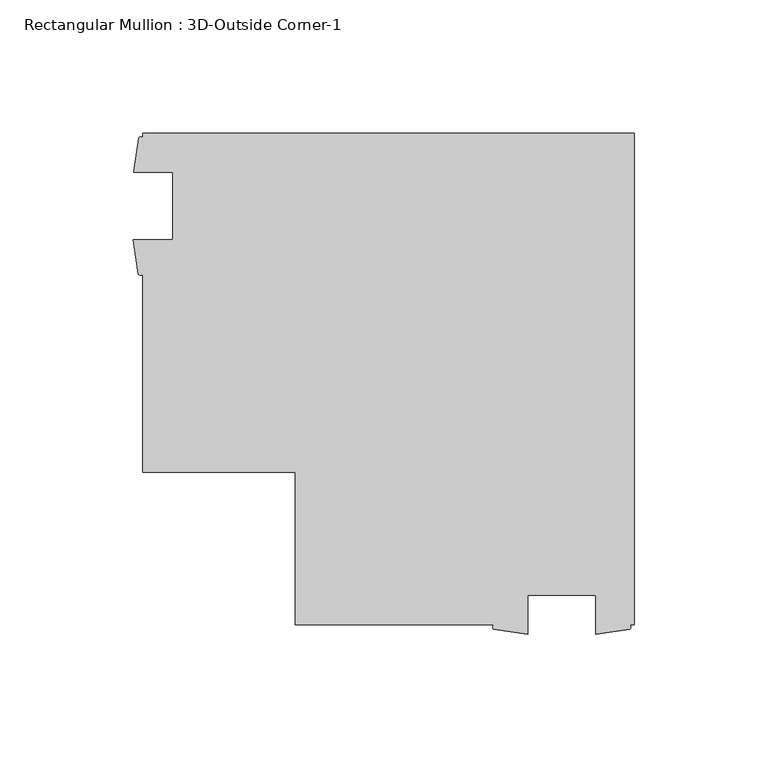
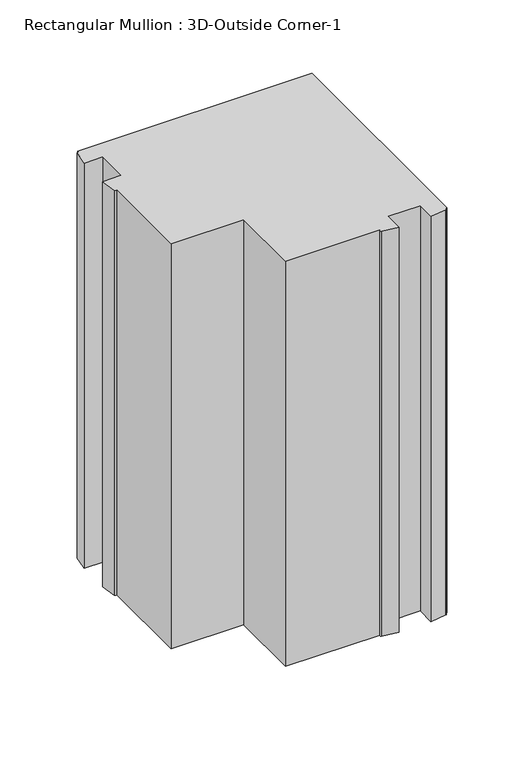
"""IFC4 building model written with IfcOpenShell, lengths in millimetres: member geometry, Rectangular Mullion : 3D-Outside Corner-1."""

from ifc_helpers import new_model, si_unit, point, frame, frame_2d, origin, place, context, project, spatial, polyline, circle_curve, trimmed, segment, composite_curve, outline, extrude, source, transform, mapped, element, save


def rectangular_mullion_3d_outside_corner_1_03b02a0e(model_context):
    return source(origin(), model_context, "Body", "SweptSolid", [
        extrude(outline(composite_curve([segment(polyline([(0.0, 53.975), (0.0, -130.175), (-1.7322375, -130.175)]), True, "CONTINUOUS"), segment(trimmed(circle_curve(frame_2d((-2.2266797, -130.9679481)), 0.934473), [point((-1.7322375, -130.175))], [point((-1.7322375, -131.7608963))], False, "CARTESIAN"), True, "CONTINUOUS"), segment(polyline([(-1.7322375, -131.7608963), (-14.503525, -133.571), (-14.503525, -119.0625), (-39.903525, -119.0625), (-39.903525, -133.6945217), (-52.6765778, -131.8384044)]), True, "CONTINUOUS"), segment(trimmed(circle_curve(frame_2d((-52.1290615, -131.0067022)), 0.9957423), [point((-52.6765778, -131.8384044))], [point((-52.6765778, -130.175))], False, "CARTESIAN"), True, "CONTINUOUS"), segment(polyline([(-52.6765778, -130.175), (-127.0, -130.175), (-127.0, -73.025), (-184.15, -73.025), (-184.15, 1.2984222)]), True, "CONTINUOUS"), segment(trimmed(circle_curve(frame_2d((-184.9817022, 1.8693214)), 1.0087886), [point((-184.15, 1.2984222))], [point((-185.8134044, 1.2984222))], False, "CARTESIAN"), True, "CONTINUOUS"), segment(polyline([(-185.8134044, 1.2984222), (-187.6695217, 14.071475), (-173.0375, 14.071475), (-173.0375, 39.471475), (-187.546, 39.471475), (-185.7358963, 52.2427625)]), True, "CONTINUOUS"), segment(trimmed(circle_curve(frame_2d((-184.9429481, 51.7179651)), 0.9508833), [point((-185.7358963, 52.2427625))], [point((-184.15, 52.2427625))], False, "CARTESIAN"), True, "CONTINUOUS"), segment(polyline([(-184.15, 52.2427625), (-184.15, 53.975), (0.0, 53.975)]), True, "CONTINUOUS")], self_intersect=False)), frame((0.0, 0.0, -336.7484375), z_axis=(0.0, 0.0, 1.0), x_axis=(1.0, 0.0, 0.0)), (0.0, 0.0, 1.0), 336.7484375),
    ])


if __name__ == "__main__":
    model = new_model("IFC4")
    model_context = context("Model", 3, world=origin())
    ifc_project = project(units=[si_unit("LENGTHUNIT", "METRE", prefix="MILLI")], contexts=[model_context])
    site = spatial("IfcSite", under=ifc_project)
    building = spatial("IfcBuilding", under=site)
    placement = place(None, origin())
    rectangular_mullion_3d_outside_corner_1_shape = rectangular_mullion_3d_outside_corner_1_03b02a0e(model_context)
    element("IfcMember", 1, ObjectType="Rectangular Mullion : 3D-Outside Corner-1", at=placement, inside=building, context=model_context, shape_type="MappedRepresentation", body=[
        mapped(rectangular_mullion_3d_outside_corner_1_shape, transform((0.0, 0.0, 0.0), x_axis=(1.0, 0.0, 0.0), y_axis=(0.0, 1.0, 0.0), z_axis=(0.0, 0.0, 1.0))),
    ])
    save(model, "model.ifc")
